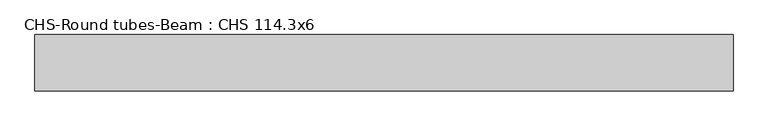
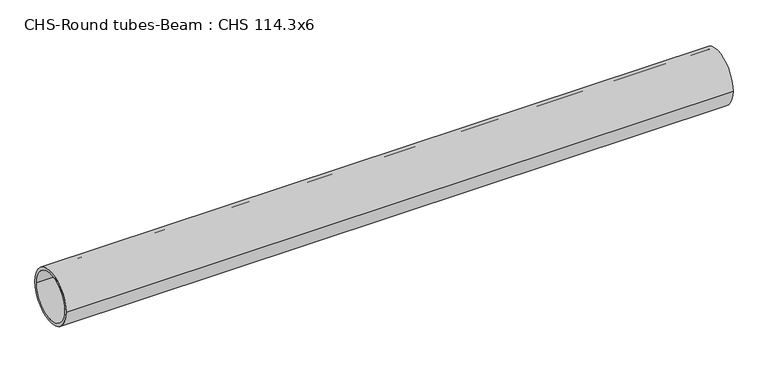
"""IFC4 building model written with IfcOpenShell, lengths in millimetres: beam geometry, CHS-Round tubes-Beam : CHS 114.3x6."""

from ifc_helpers import new_model, si_unit, point, frame, origin, origin_2d, place, context, project, spatial, circle_curve, trimmed, segment, composite_curve, outline, extrude, source, transform, mapped, element, save


def chs_round_tubes_beam_chs_114_3x6_0271a490(model_context):
    return source(origin(), model_context, "Body", "SweptSolid", [
        extrude(outline(composite_curve([segment(trimmed(circle_curve(origin_2d(), 57.15), [point((57.15, 0.0))], [point((-57.15, 0.0))], False, "CARTESIAN"), True, "CONTINUOUS"), segment(trimmed(circle_curve(origin_2d(), 57.15), [point((-57.15, 0.0))], [point((57.15, 0.0))], False, "CARTESIAN"), True, "CONTINUOUS")], self_intersect=False), holes=[composite_curve([segment(trimmed(circle_curve(origin_2d(), 51.15), [point((51.15, 0.0))], [point((-51.15, 0.0))], True, "CARTESIAN"), True, "CONTINUOUS"), segment(trimmed(circle_curve(origin_2d(), 51.15), [point((-51.15, 0.0))], [point((51.15, 0.0))], True, "CARTESIAN"), True, "CONTINUOUS")], self_intersect=False)]), frame((-703.0434298, 0.0, 0.0), z_axis=(1.0, 0.0, 0.0), x_axis=(0.0, 1.0, 0.0)), (0.0, 0.0, 1.0), 1414.8843926),
    ])


if __name__ == "__main__":
    model = new_model("IFC4")
    model_context = context("Model", 3, world=origin())
    ifc_project = project(units=[si_unit("LENGTHUNIT", "METRE", prefix="MILLI")], contexts=[model_context])
    site = spatial("IfcSite", under=ifc_project)
    building = spatial("IfcBuilding", under=site)
    placement = place(None, origin())
    chs_round_tubes_beam_chs_114_3x6_shape = chs_round_tubes_beam_chs_114_3x6_0271a490(model_context)
    element("IfcBeam", 1, ObjectType="CHS-Round tubes-Beam : CHS 114.3x6", at=placement, inside=building, context=model_context, shape_type="MappedRepresentation", body=[
        mapped(chs_round_tubes_beam_chs_114_3x6_shape, transform((0.0, 0.0, 0.0), x_axis=(1.0, 0.0, 0.0), y_axis=(0.0, 1.0, 0.0), z_axis=(0.0, 0.0, 1.0))),
    ])
    save(model, "model.ifc")
